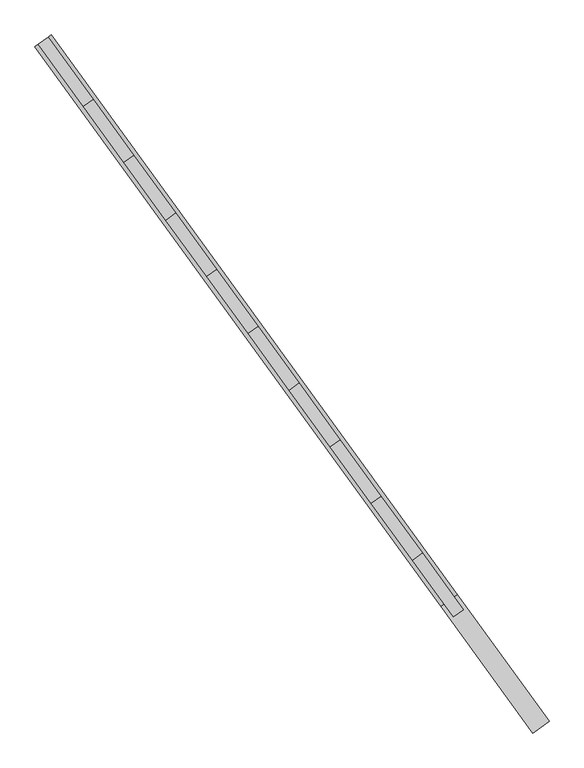
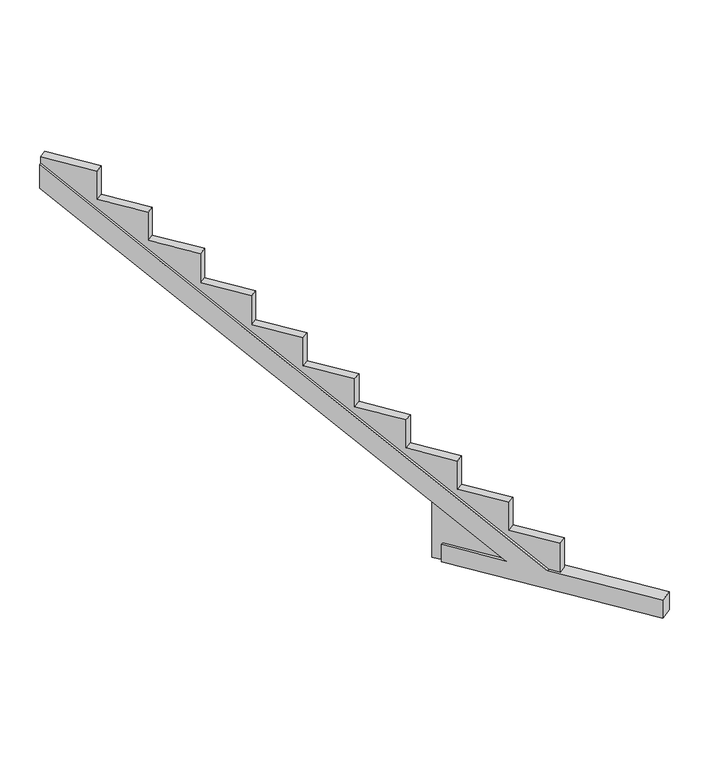
"""IFC4 building model written with IfcOpenShell, lengths in millimetres: beam geometry."""

from ifc_helpers import new_model, si_unit, origin, place, context, project, spatial, faceted_brep, source, transform, mapped, element, save


def beam_8c09384a(model_context):
    return source(origin(), model_context, "Body", "Brep", [
        faceted_brep([(-113685.0765541, 103177.4790991, -272.5034315), (-113685.0765541, 103177.4790991, -26.5699712), (-113192.5066446, 102499.1960522, -26.5699712), (-116734.8235012, 107377.06907, 3625.2789843), (-116734.8235012, 107377.06907, 3958.3572499), (-112879.1186596, 102067.6517103, -16.5699712), (-112006.2855155, 100865.7351639, -16.5699712), (-112006.2855155, 100865.7351639, -272.5034315), (-113838.6934645, 103065.9223264, -272.5034315), (-112159.9024259, 100754.1783912, -272.5034315), (-112159.9024259, 100754.1783912, -16.5699712), (-113032.73557, 101956.0949376, -16.5699712), (-116888.4404116, 107265.5122973, 3958.3572499), (-116888.4404116, 107265.5122973, 3625.2789843), (-113346.1235551, 102387.6392795, -26.5699712), (-113838.6934645, 103065.9223264, -26.5699712), (-113808.0318439, 103088.1888297, -272.5034315), (-113890.793719, 103202.1543313, -272.5034315), (-113796.0144196, 103270.9831649, -272.5034315), (-113713.2525445, 103157.0176633, -272.5034315), (-112907.29465, 102047.1902745, -16.5699712), (-112818.8593501, 101925.4123024, -16.5699712), (-112913.6386495, 101856.5834689, -16.5699712), (-113002.0739494, 101978.3614409, -16.5699712), (-116762.9994916, 107356.6076341, 3958.3572499), (-116857.778791, 107287.7788006, 3958.3572499), (-116857.778791, 107287.7788006, 4052.4153724), (-116762.9994916, 107356.6076341, 4052.4153724), (-113220.682635, 102478.7346163, -26.5699712), (-113796.0144196, 103270.9831649, 566.5516668), (-113890.793719, 103202.1543313, 566.5516668), (-113315.4619345, 102409.9057828, -26.5699712), (-113713.2525445, 103157.0176633, -26.5699712), (-113808.0318439, 103088.1888297, -26.5699712), (-116335.1901019, 106767.5017005, 4052.4153724), (-116335.1901019, 106767.5017005, 3647.4765953), (-115949.268748, 106236.0768068, 3647.4765953), (-115949.268748, 106236.0768068, 3243.7280705), (-115552.5800941, 105689.8250288, 3243.7280705), (-115552.5800941, 105689.8250288, 2823.2783254), (-115164.7205431, 105155.7311814, 2823.2783254), (-115164.7205431, 105155.7311814, 2407.8804107), (-114771.9389166, 104614.8594933, 2407.8804107), (-114771.9389166, 104614.8594933, 2007.4306656), (-114381.1261203, 104076.6989415, 2007.4306656), (-114381.1261203, 104076.6989415, 1608.7080561), (-113990.3286405, 103538.559481, 1608.7080561), (-113990.3286405, 103538.559481, 1204.9595313), (-113600.4849427, 103001.7334061, 1204.9595313), (-113600.4849427, 103001.733406, 797.8863115), (-113209.6721464, 102463.5728542, 797.8863115), (-113209.6721464, 102463.5728542, 400.9167528), (-112818.8593501, 101925.4123024, 400.9167528), (-112913.6386495, 101856.5834689, 400.9167528), (-113304.4514458, 102394.7440207, 400.9167528), (-113304.4514458, 102394.7440207, 797.8863115), (-113695.2642422, 102932.9045725, 797.8863115), (-113695.2642422, 102932.9045725, 1204.9595313), (-114085.1079399, 103469.7306475, 1204.9595313), (-114085.1079399, 103469.7306475, 1608.7080561), (-114475.9054197, 104007.870108, 1608.7080561), (-114475.9054197, 104007.870108, 2007.4306656), (-114866.718216, 104546.0306598, 2007.4306656), (-114866.718216, 104546.0306598, 2407.8804107), (-115259.4998425, 105086.9023478, 2407.8804107), (-115259.4998425, 105086.9023478, 2823.2783254), (-115647.3593935, 105620.9961952, 2823.2783254), (-115647.3593935, 105620.9961952, 3243.7280705), (-116044.0480474, 106167.2479732, 3243.7280705), (-116044.0480474, 106167.2479732, 3647.4765953), (-116429.9694013, 106698.672867, 3647.4765953), (-116429.9694013, 106698.672867, 4052.4153724)], [[[0, 1, 2, 3, 4, 5, 6, 7]], [[8, 9, 10, 11, 12, 13, 14, 15]], [[0, 7, 9, 8, 16, 17, 18, 19]], [[7, 6, 10, 9]], [[6, 5, 20, 21, 22, 23, 11, 10]], [[5, 4, 24, 20]], [[12, 11, 23, 25]], [[4, 3, 13, 12, 25, 26, 27, 24]], [[3, 2, 28, 29, 30, 31, 14, 13]], [[2, 1, 32, 28]], [[15, 14, 31, 33]], [[1, 0, 19, 32]], [[8, 15, 33, 16]], [[19, 18, 29, 28, 32]], [[27, 34, 35, 36, 37, 38, 39, 40, 41, 42, 43, 44, 45, 46, 47, 48, 49, 50, 51, 52, 21, 20, 24]], [[17, 16, 33, 31, 30]], [[22, 53, 54, 55, 56, 57, 58, 59, 60, 61, 62, 63, 64, 65, 66, 67, 68, 69, 70, 71, 26, 25, 23]], [[18, 17, 30, 29]], [[21, 52, 53, 22]], [[52, 51, 54, 53]], [[51, 50, 55, 54]], [[50, 49, 56, 55]], [[49, 48, 57, 56]], [[48, 47, 58, 57]], [[47, 46, 59, 58]], [[46, 45, 60, 59]], [[45, 44, 61, 60]], [[44, 43, 62, 61]], [[43, 42, 63, 62]], [[42, 41, 64, 63]], [[41, 40, 65, 64]], [[40, 39, 66, 65]], [[39, 38, 67, 66]], [[38, 37, 68, 67]], [[37, 36, 69, 68]], [[36, 35, 70, 69]], [[35, 34, 71, 70]], [[34, 27, 26, 71]]]),
    ])


if __name__ == "__main__":
    model = new_model("IFC4")
    model_context = context("Model", 3, world=origin())
    ifc_project = project(units=[si_unit("LENGTHUNIT", "METRE", prefix="MILLI")], contexts=[model_context])
    site = spatial("IfcSite", under=ifc_project)
    building = spatial("IfcBuilding", under=site)
    placement = place(None, origin())
    beam_shape = beam_8c09384a(model_context)
    element("IfcBeam", 1, at=placement, inside=building, context=model_context, shape_type="MappedRepresentation", body=[
        mapped(beam_shape, transform((0.0, 0.0, 0.0), x_axis=(1.0, 0.0, 0.0), y_axis=(0.0, 1.0, 0.0), z_axis=(0.0, 0.0, 1.0))),
    ])
    save(model, "model.ifc")
